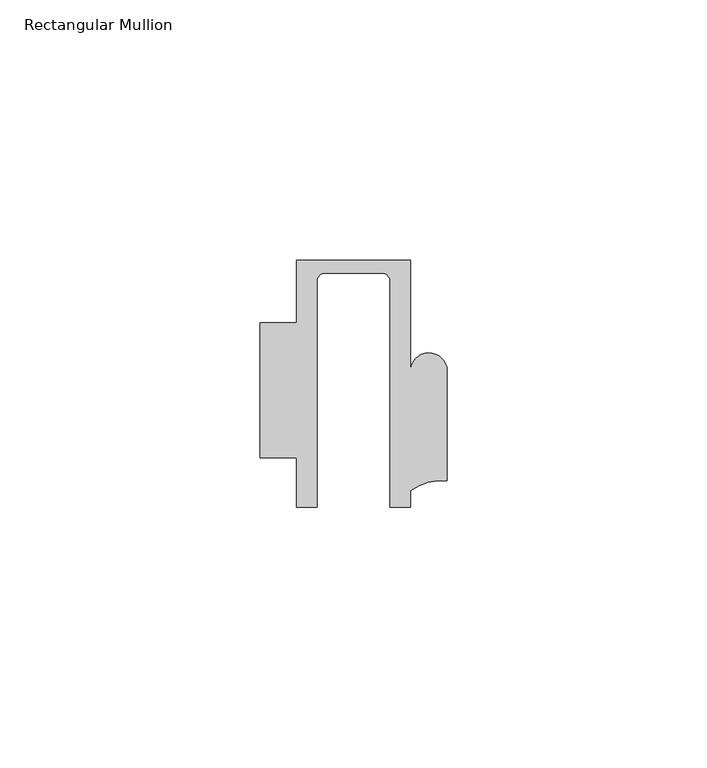
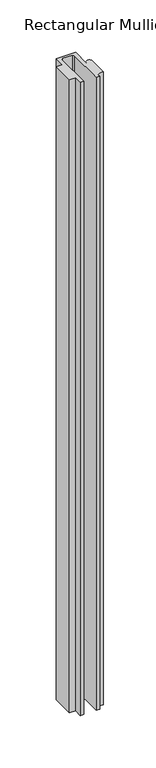
"""IFC4 building model written with IfcOpenShell, lengths in millimetres: member geometry, Rectangular Mullion."""

from ifc_helpers import new_model, si_unit, frame, origin, place, context, project, spatial, polyline, circle_curve, source, transform, mapped, element, save
from ifc_brep_helpers import plane_surface, cylinder_surface, revolved_surface, advanced_brep


def rectangular_mullion_8b5d5a40(model_context):
    return source(origin(), model_context, "Body", "AdvancedBrep", [
        advanced_brep(
        [(-11.0000151, 27.0, 0.0), (-11.0000151, 15.0006281, 0.0), (-17.9999542, 15.0006281, 0.0), (-17.9999542, -10.9797475, 0.0), (-10.9999994, -10.9797475, 0.0), (-10.9999994, -20.5, 0.0), (-6.9999853, -20.5, 0.0), (-6.9999853, 22.9976091, 0.0), (-5.4999873, 24.5, 0.0), (5.4999872, 24.5, 0.0), (6.9999849, 22.9973451, 0.0), (6.9999849, -20.5, 0.0), (11.0000151, -20.5, 0.0), (11.0000151, -17.3125212, 0.0), (17.9999542, -15.3797475, 0.0), (17.9999542, 5.684606, 0.0), (11.001071, 5.5848769, 0.0), (11.001071, 27.0, 0.0), (-11.0000151, 27.0, -768.0001218), (11.001071, 27.0, -768.0001218), (11.001071, 5.5848769, -768.0001218), (17.9999091, 5.6750512, -768.0001218), (17.9999542, -15.3797475, -768.0001218), (11.0000151, -17.3125212, -768.0001218), (11.0000151, -20.5, -768.0001218), (6.9999849, -20.5, -768.0001218), (6.9999849, 22.9973451, -768.0001218), (5.4999872, 24.5, -768.0001218), (-5.4999873, 24.5, -768.0001218), (-6.9999853, 22.9976091, -768.0001218), (-6.9999853, -20.5, -768.0001218), (-10.9999994, -20.5, -768.0001218), (-10.9999994, -10.9797475, -768.0001218), (-17.9999542, -10.9797475, -768.0001218), (-17.9999542, 15.0006281, -768.0001218), (-11.0000151, 15.0006281, -768.0001218)],
        [
            (0, 1),
            (1, 2),
            (2, 3),
            (3, 4),
            (4, 5),
            (5, 6),
            (6, 7),
            (7, 8, circle_curve(frame((-5.4999873, 23.0, 0.0), z_axis=(0.0, 0.0, -1.0), x_axis=(2.7320010112268853e-08, 0.9999999999999997, 0.0)), 1.5)),
            (8, 9),
            (9, 10, circle_curve(frame((5.4999872, 23.0, 0.0), z_axis=(0.0, 0.0, -1.0), x_axis=(0.9999999999999986, -5.463622857820516e-08, 0.0)), 1.5)),
            (10, 11),
            (11, 12),
            (12, 13),
            (13, 14, circle_curve(frame((17.109817, -25.7981812, 0.0), z_axis=(0.0, 0.0, -1.0), x_axis=(0.0, 1.0, 0.0)), 10.4563907)),
            (14, 15),
            (15, 16, circle_curve(frame((14.4999091, 5.6750512, 0.0), z_axis=(0.0, 0.0, 1.0), x_axis=(-0.9999826028573957, -0.005898642432633649, 0.0)), 3.5)),
            (16, 17),
            (17, 0),
            (18, 19),
            (19, 20),
            (20, 21, circle_curve(frame((14.4999091, 5.6750512, -768.0001218), z_axis=(0.0, 0.0, -1.0), x_axis=(-0.9999826028573957, -0.005898642432633649, 0.0)), 3.5)),
            (21, 22),
            (22, 23, circle_curve(frame((17.109817, -25.7981812, -768.0001218), z_axis=(0.0, 0.0, 1.0), x_axis=(0.0, 1.0, 0.0)), 10.4563907)),
            (23, 24),
            (24, 25),
            (25, 26),
            (26, 27, circle_curve(frame((5.4999872, 23.0, -768.0001218), z_axis=(0.0, 0.0, 1.0), x_axis=(0.9999999999999986, -5.463622857820516e-08, 0.0)), 1.5)),
            (27, 28),
            (28, 29, circle_curve(frame((-5.4999873, 23.0, -768.0001218), z_axis=(0.0, 0.0, 1.0), x_axis=(2.7320010112268853e-08, 0.9999999999999997, 0.0)), 1.5)),
            (29, 30),
            (30, 31),
            (31, 32),
            (32, 33),
            (33, 34),
            (34, 35),
            (35, 18),
            (0, 18),
            (35, 1),
            (34, 2),
            (33, 3),
            (32, 4),
            (31, 5),
            (30, 6),
            (29, 7),
            (28, 8),
            (27, 9),
            (26, 10),
            (25, 11),
            (24, 12),
            (23, 13),
            (22, 14),
            (21, 15),
            (20, 16),
            (19, 17),
        ],
        [
            plane_surface(frame((0.0, -29.1551636, 0.0), z_axis=(0.0, 0.0, 1.0), x_axis=(-1.0, 0.0, 0.0))),
            plane_surface(frame((0.0, -29.1551636, -768.0001218), z_axis=(0.0, 0.0, -1.0), x_axis=(-1.0, 0.0, 0.0))),
            plane_surface(frame((-11.0000151, 27.0, 0.0), z_axis=(-1.0, 0.0, 0.0), x_axis=(0.0, 0.0, -1.0))),
            plane_surface(frame((-11.0000151, 15.0006281, 0.0), z_axis=(0.0, 1.0, 0.0), x_axis=(0.0, 0.0, -1.0))),
            plane_surface(frame((-17.9999542, 15.0006281, 0.0), z_axis=(-1.0, 0.0, 0.0), x_axis=(0.0, 0.0, -1.0))),
            plane_surface(frame((-17.9999542, -10.9797475, 0.0), z_axis=(0.0, -1.0, 0.0), x_axis=(0.0, 0.0, -1.0))),
            plane_surface(frame((-10.9999994, -10.9797475, 0.0), z_axis=(-1.0, 0.0, 0.0), x_axis=(0.0, 0.0, -1.0))),
            plane_surface(frame((-10.9999994, -20.5, 0.0), z_axis=(0.0, -1.0, 0.0), x_axis=(0.0, 0.0, -1.0))),
            plane_surface(frame((-6.9999853, -20.5, 0.0), z_axis=(1.0, 0.0, 0.0), x_axis=(0.0, 0.0, -1.0))),
            revolved_surface(polyline([(-5.499987259019985, 24.5, -768.0001218), (-5.499987259019985, 24.5, 0.0)]), (-5.4999873, 23.0, 0.0), (0.0, 0.0, -1.0)),
            plane_surface(frame((-5.4999873, 24.5, 0.0), z_axis=(0.0, -1.0, 0.0), x_axis=(0.0, 0.0, -1.0))),
            revolved_surface(polyline([(6.999987199999998, 22.999999918045656, -768.0001218), (6.999987199999998, 22.999999918045656, 0.0)]), (5.4999872, 23.0, 0.0), (0.0, 0.0, -1.0)),
            plane_surface(frame((6.9999849, 22.9973451, 0.0), z_axis=(-1.0, 0.0, 0.0), x_axis=(0.0, 0.0, -1.0))),
            plane_surface(frame((6.9999849, -20.5, 0.0), z_axis=(0.0, -1.0, 0.0), x_axis=(0.0, 0.0, -1.0))),
            plane_surface(frame((11.0000151, -20.5, 0.0), z_axis=(1.0, 0.0, 0.0), x_axis=(0.0, 0.0, -1.0))),
            revolved_surface(polyline([(17.109817, -15.341790499999998, -768.0001218), (17.109817, -15.341790499999998, 0.0)]), (17.109817, -25.7981812, 0.0), (0.0, 0.0, -1.0)),
            plane_surface(frame((17.9999542, -15.3797475, 0.0), z_axis=(1.0, 0.0, 0.0), x_axis=(0.0, 0.0, -1.0))),
            cylinder_surface(frame((14.4999091, 5.6750512, 0.0), z_axis=(0.0, 0.0, 1.0), x_axis=(-0.9999826028573957, -0.005898642432633649, 0.0)), 3.5),
            plane_surface(frame((11.001071, 5.5848769, 0.0), z_axis=(1.0, 0.0, 0.0), x_axis=(0.0, 0.0, -1.0))),
            plane_surface(frame((11.001071, 27.0, 0.0), z_axis=(0.0, 1.0, 0.0), x_axis=(0.0, 0.0, -1.0))),
        ],
        [
            (0, [[1, 2, 3, 4, 5, 6, 7, 8, 9, 10, 11, 12, 13, 14, 15, 16, 17, 18]]),
            (1, [[19, 20, 21, 22, 23, 24, 25, 26, 27, 28, 29, 30, 31, 32, 33, 34, 35, 36]]),
            (2, [[-1, 37, -36, 38]]),
            (3, [[-2, -38, -35, 39]]),
            (4, [[-3, -39, -34, 40]]),
            (5, [[-4, -40, -33, 41]]),
            (6, [[-5, -41, -32, 42]]),
            (7, [[-6, -42, -31, 43]]),
            (8, [[-7, -43, -30, 44]]),
            (9, [[-8, -44, -29, 45]]),
            (10, [[-9, -45, -28, 46]]),
            (11, [[-10, -46, -27, 47]]),
            (12, [[-11, -47, -26, 48]]),
            (13, [[-12, -48, -25, 49]]),
            (14, [[-13, -49, -24, 50]]),
            (15, [[-14, -50, -23, 51]]),
            (16, [[-15, -51, -22, 52]]),
            (17, [[-16, -52, -21, 53]]),
            (18, [[-17, -53, -20, 54]]),
            (19, [[-18, -54, -19, -37]]),
        ],
    ),
    ])


if __name__ == "__main__":
    model = new_model("IFC4")
    model_context = context("Model", 3, world=origin())
    ifc_project = project(units=[si_unit("LENGTHUNIT", "METRE", prefix="MILLI")], contexts=[model_context])
    site = spatial("IfcSite", under=ifc_project)
    building = spatial("IfcBuilding", under=site)
    placement = place(None, origin())
    rectangular_mullion_shape = rectangular_mullion_8b5d5a40(model_context)
    element("IfcMember", 1, ObjectType="Rectangular Mullion", at=placement, inside=building, context=model_context, shape_type="MappedRepresentation", body=[
        mapped(rectangular_mullion_shape, transform((0.0, 0.0, 0.0), x_axis=(1.0, 0.0, 0.0), y_axis=(0.0, 1.0, 0.0), z_axis=(0.0, 0.0, 1.0))),
    ])
    save(model, "model.ifc")
